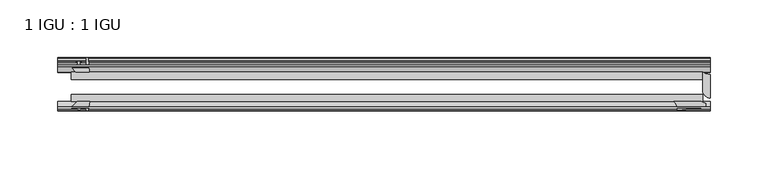
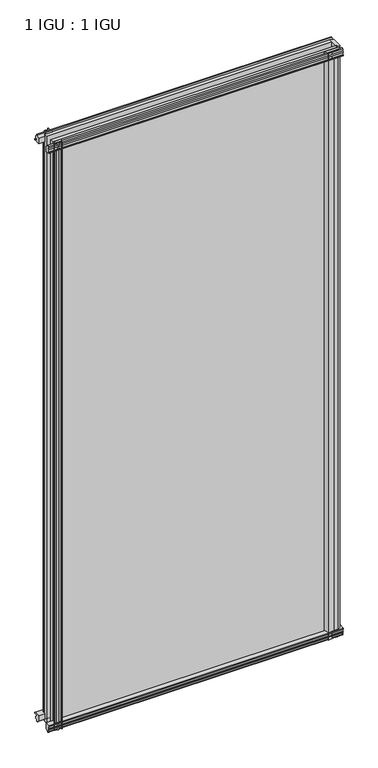
"""IFC4 building model written with IfcOpenShell, lengths in millimetres: plate geometry, 1 IGU : 1 IGU."""

from ifc_helpers import new_model, si_unit, point, frame, frame_2d, origin, place, context, project, spatial, polyline, circle_curve, trimmed, segment, composite_curve, outline, extrude, source, transform, mapped, element, save


def plate_1_igu_1_igu_a7cf7a80(model_context):
    return source(origin(), model_context, "Body", "SweptSolid", [
        extrude(outline(composite_curve([segment(polyline([(-57.0900403, 1.731044), (-50.00625, 3.0983599), (-50.00625, -7.92383), (-54.1882244, -12.1058044)]), True, "CONTINUOUS"), segment(trimmed(circle_curve(frame_2d((-55.08625, -11.2077788)), 1.27), [point((-54.1882244, -12.1058044))], [point((-56.35625, -11.2077788))], False, "CARTESIAN"), True, "CONTINUOUS"), segment(polyline([(-56.35625, -11.2077788), (-56.35625, -8.0327788), (-57.835546, -5.4488186), (-56.35625, -5.1879788), (-56.35625, 0.2222212), (-57.65913, 0.0383748)]), True, "CONTINUOUS"), segment(trimmed(circle_curve(frame_2d((-56.9150839, 0.7302212)), 1.016), [point((-57.65913, 0.0383748))], [point((-57.0900403, 1.731044))], False, "CARTESIAN"), True, "CONTINUOUS")], self_intersect=False)), frame((-280.1239, 0.0, 0.0), z_axis=(1.0, 0.0, 0.0), x_axis=(0.0, 1.0, 0.0)), (0.0, 0.0, 1.0), 564.2864),
        extrude(outline(composite_curve([segment(polyline([(-24.60625, 2.5763839), (-12.8423053, 1.6478499)]), True, "CONTINUOUS"), segment(trimmed(circle_curve(frame_2d((-12.92225, 0.635)), 1.016), [point((-12.8423053, 1.6478499))], [point((-12.1291353, 0.0))], False, "CARTESIAN"), True, "CONTINUOUS"), segment(polyline([(-12.1291353, 0.0), (-18.25625, 0.0), (-18.25625, -4.953), (-15.9568457, -5.5691235), (-16.3325195, -4.1670901), (-15.4738114, -3.937), (-14.82725, -6.35), (-15.4738114, -8.763), (-16.3325195, -8.5329099), (-15.9568457, -7.1308765), (-18.25625, -7.747), (-18.25625, -12.7), (-20.28825, -12.7), (-24.60625, -9.1036931), (-24.60625, 2.5763839)]), True, "CONTINUOUS")], self_intersect=False)), frame((-280.1239, 0.0, 0.0), z_axis=(1.0, 0.0, 0.0), x_axis=(0.0, 1.0, 0.0)), (0.0, 0.0, 1.0), 564.2864),
        extrude(outline(composite_curve([segment(polyline([(-20.28825, 1174.75), (-18.25625, 1174.75), (-18.25625, 1169.797), (-15.9568457, 1169.1808765), (-16.3325195, 1170.5829099), (-15.4738114, 1170.813), (-14.82725, 1168.4), (-15.4738114, 1165.987), (-16.3325195, 1166.2170901), (-15.9568457, 1167.6191235), (-18.25625, 1167.003), (-18.25625, 1162.05), (-12.1291353, 1162.05)]), True, "CONTINUOUS"), segment(trimmed(circle_curve(frame_2d((-12.92225, 1161.415)), 1.016), [point((-12.1291353, 1162.05))], [point((-12.8423053, 1160.4021501))], False, "CARTESIAN"), True, "CONTINUOUS"), segment(polyline([(-12.8423053, 1160.4021501), (-24.60625, 1159.4736161), (-24.60625, 1171.1536931), (-20.28825, 1174.75)]), True, "CONTINUOUS")], self_intersect=False)), frame((-280.1239, 0.0, 0.0), z_axis=(1.0, 0.0, 0.0), x_axis=(0.0, 1.0, 0.0)), (0.0, 0.0, 1.0), 564.2864),
        extrude(outline(composite_curve([segment(trimmed(circle_curve(frame_2d((-56.9150839, 1161.3197788)), 1.016), [point((-57.0900403, 1160.318956))], [point((-57.65913, 1162.0116252))], False, "CARTESIAN"), True, "CONTINUOUS"), segment(polyline([(-57.65913, 1162.0116252), (-56.35625, 1161.8277788), (-56.35625, 1167.2379788), (-57.835546, 1167.4988186), (-56.35625, 1170.0827788), (-56.35625, 1173.2577788)]), True, "CONTINUOUS"), segment(trimmed(circle_curve(frame_2d((-55.08625, 1173.2577788)), 1.27), [point((-56.35625, 1173.2577788))], [point((-54.1882244, 1174.1558044))], False, "CARTESIAN"), True, "CONTINUOUS"), segment(polyline([(-54.1882244, 1174.1558044), (-50.00625, 1169.97383), (-50.00625, 1158.9516401), (-57.0900403, 1160.318956)]), True, "CONTINUOUS")], self_intersect=False)), frame((-280.1239, 0.0, 0.0), z_axis=(1.0, 0.0, 0.0), x_axis=(0.0, 1.0, 0.0)), (0.0, 0.0, 1.0), 564.2864),
        extrude(outline(composite_curve([segment(polyline([(280.1239, -54.14645), (274.9011192, -56.35625), (267.0175, -56.35625), (255.5875, -57.5575914)]), True, "CONTINUOUS"), segment(trimmed(circle_curve(frame_2d((245.6399732, -57.0773768)), 9.9591112), [point((255.5875, -57.5575914))], [point((252.6530368, -50.00625))], True, "CARTESIAN"), True, "CONTINUOUS"), segment(polyline([(252.6530368, -50.00625), (276.3418863, -50.00625), (280.1239, -51.60645), (280.1239, -54.14645)]), True, "CONTINUOUS")], self_intersect=False)), frame((0.0, 0.0, -12.7), z_axis=(0.0, 0.0, 1.0), x_axis=(1.0, 0.0, 0.0)), (0.0, 0.0, 1.0), 1187.45),
        extrude(outline(composite_curve([segment(trimmed(circle_curve(frame_2d((284.1625, -40.48125)), 6.35), [point((284.1625, -46.83125))], [point((277.8125, -40.48125))], False, "CARTESIAN"), True, "CONTINUOUS"), segment(polyline([(277.8125, -40.48125), (277.8125, -24.60625)]), True, "CONTINUOUS"), segment(trimmed(circle_curve(frame_2d((284.1625, -14.2606186)), 12.1389698), [point((277.8125, -24.60625))], [point((284.1625, -26.3995885))], True, "CARTESIAN"), True, "CONTINUOUS"), segment(polyline([(284.1625, -26.3995885), (284.1625, -46.83125)]), True, "CONTINUOUS")], self_intersect=False)), frame((0.0, 0.0, -12.7), z_axis=(0.0, 0.0, 1.0), x_axis=(1.0, 0.0, 0.0)), (0.0, 0.0, 1.0), 1187.45),
        extrude(outline(composite_curve([segment(polyline([(-253.0111161, -24.60625), (-264.6911931, -24.60625), (-268.2875, -20.28825), (-268.2875, -18.25625), (-263.3345, -18.25625), (-262.7183765, -15.9568457), (-264.1204099, -16.3325195), (-264.3505, -15.4738114), (-261.9375, -14.82725), (-259.5245, -15.4738114), (-259.7545901, -16.3325195), (-261.1566235, -15.9568457), (-260.5405, -18.25625), (-255.5875, -18.25625), (-255.5875, -12.1291353)]), True, "CONTINUOUS"), segment(trimmed(circle_curve(frame_2d((-254.9525, -12.92225)), 1.016), [point((-255.5875, -12.1291353))], [point((-253.9396501, -12.8423053))], False, "CARTESIAN"), True, "CONTINUOUS"), segment(polyline([(-253.9396501, -12.8423053), (-253.0111161, -24.60625)]), True, "CONTINUOUS")], self_intersect=False)), frame((0.0, 0.0, -12.7), z_axis=(0.0, 0.0, 1.0), x_axis=(1.0, 0.0, 0.0)), (0.0, 0.0, 1.0), 1187.45),
        extrude(outline(composite_curve([segment(polyline([(-252.4891401, -50.00625), (-253.856456, -57.0900403)]), True, "CONTINUOUS"), segment(trimmed(circle_curve(frame_2d((-254.8572788, -56.9150839)), 1.016), [point((-253.856456, -57.0900403))], [point((-255.5491252, -57.65913))], False, "CARTESIAN"), True, "CONTINUOUS"), segment(polyline([(-255.5491252, -57.65913), (-255.3652788, -56.35625), (-260.7754788, -56.35625), (-261.0363186, -57.835546), (-263.6202788, -56.35625), (-266.7952788, -56.35625)]), True, "CONTINUOUS"), segment(trimmed(circle_curve(frame_2d((-266.7952788, -55.08625)), 1.27), [point((-266.7952788, -56.35625))], [point((-267.6933044, -54.1882244))], False, "CARTESIAN"), True, "CONTINUOUS"), segment(polyline([(-267.6933044, -54.1882244), (-263.51133, -50.00625), (-252.4891401, -50.00625)]), True, "CONTINUOUS")], self_intersect=False)), frame((0.0, 0.0, -12.7), z_axis=(0.0, 0.0, 1.0), x_axis=(1.0, 0.0, 0.0)), (0.0, 0.0, 1.0), 1187.45),
        extrude(outline(polyline([(-268.2875, -24.60625), (277.8125, -24.60625), (277.8125, -30.95625), (-268.2875, -30.95625), (-268.2875, -24.60625)])), frame((0.0, 0.0, -12.7), z_axis=(0.0, 0.0, 1.0), x_axis=(1.0, 0.0, 0.0)), (0.0, 0.0, 1.0), 1187.45),
        extrude(outline(polyline([(277.8125, -43.65625), (277.8125, -50.00625), (-268.2875, -50.00625), (-268.2875, -43.65625), (277.8125, -43.65625)])), frame((0.0, 0.0, -12.7), z_axis=(0.0, 0.0, 1.0), x_axis=(1.0, 0.0, 0.0)), (0.0, 0.0, 1.0), 1187.45),
    ])


if __name__ == "__main__":
    model = new_model("IFC4")
    model_context = context("Model", 3, world=origin())
    ifc_project = project(units=[si_unit("LENGTHUNIT", "METRE", prefix="MILLI")], contexts=[model_context])
    site = spatial("IfcSite", under=ifc_project)
    building = spatial("IfcBuilding", under=site)
    placement = place(None, origin())
    plate_1_igu_1_igu_shape = plate_1_igu_1_igu_a7cf7a80(model_context)
    element("IfcPlate", 1, ObjectType="1 IGU : 1 IGU", at=placement, inside=building, context=model_context, shape_type="MappedRepresentation", body=[
        mapped(plate_1_igu_1_igu_shape, transform((0.0, 0.0, 0.0), x_axis=(1.0, 0.0, 0.0), y_axis=(0.0, 1.0, 0.0), z_axis=(0.0, 0.0, 1.0))),
    ])
    save(model, "model.ifc")
